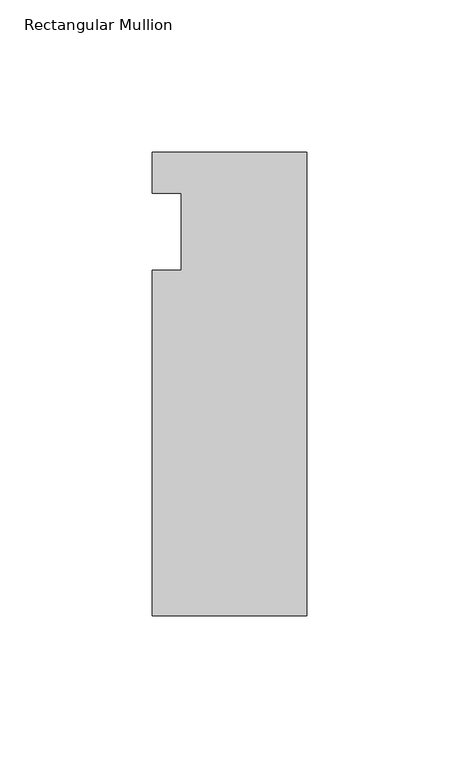
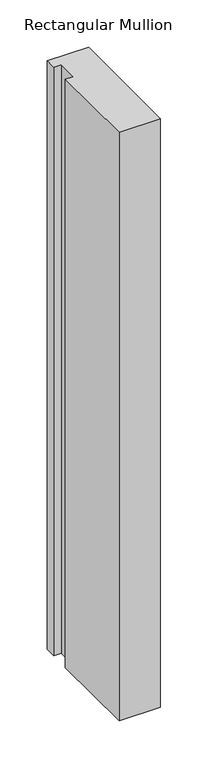
"""IFC4 building model written with IfcOpenShell, lengths in millimetres: member geometry, Rectangular Mullion."""

from ifc_helpers import new_model, si_unit, frame, origin, place, context, project, spatial, polyline, outline, extrude, source, transform, mapped, element, save


def rectangular_mullion_229a93f1(model_context):
    return source(origin(), model_context, "Body", "SweptSolid", [
        extrude(outline(polyline([(0.0, 26.19375), (0.0, -126.20625), (-50.8, -126.20625), (-50.8, -12.7), (-41.275, -12.7), (-41.275, 12.7), (-50.8, 12.7), (-50.8, 26.19375), (0.0, 26.19375)])), frame((0.0, 0.0, -762.0), z_axis=(0.0, 0.0, 1.0), x_axis=(1.0, 0.0, 0.0)), (0.0, 0.0, 1.0), 762.0),
    ])


if __name__ == "__main__":
    model = new_model("IFC4")
    model_context = context("Model", 3, world=origin())
    ifc_project = project(units=[si_unit("LENGTHUNIT", "METRE", prefix="MILLI")], contexts=[model_context])
    site = spatial("IfcSite", under=ifc_project)
    building = spatial("IfcBuilding", under=site)
    placement = place(None, origin())
    rectangular_mullion_shape = rectangular_mullion_229a93f1(model_context)
    element("IfcMember", 1, ObjectType="Rectangular Mullion", at=placement, inside=building, context=model_context, shape_type="MappedRepresentation", body=[
        mapped(rectangular_mullion_shape, transform((0.0, 0.0, 0.0), x_axis=(1.0, 0.0, 0.0), y_axis=(0.0, 1.0, 0.0), z_axis=(0.0, 0.0, 1.0))),
    ])
    save(model, "model.ifc")
